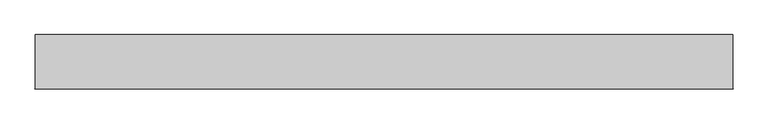
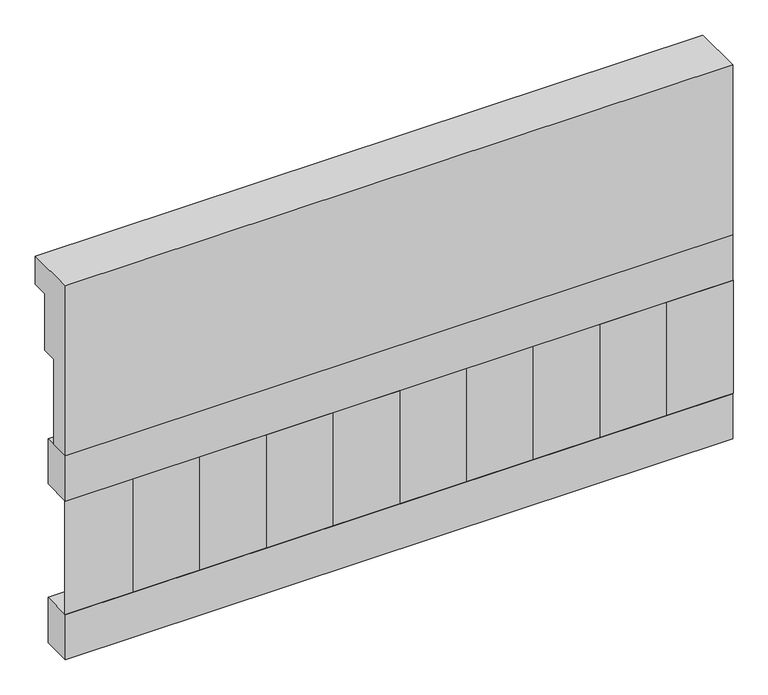
"""IFC4 building model written with IfcOpenShell, lengths in millimetres: railing geometry."""

from ifc_helpers import new_model, si_unit, frame, origin, place, context, project, spatial, polyline, outline, extrude, source, transform, mapped, element, save


def railing_0187d2da(model_context):
    return source(origin(), model_context, "Body", "SweptSolid", [
        extrude(outline(polyline([(903.1079487, 18500.0), (1033.1079487, 18500.0), (1033.1079487, 18425.0), (993.1079487, 18425.0), (993.1079487, 18275.0), (953.1079487, 18275.0), (953.1079487, 18050.0), (903.1079487, 18050.0), (903.1079487, 18500.0)])), frame((-29609.9887159, 0.0, 0.0), z_axis=(1.0, 0.0, 0.0), x_axis=(0.0, 1.0, 0.0)), (0.0, 0.0, 1.0), 1670.0),
        extrude(outline(polyline([(-27939.9887159, 978.1079487), (-27939.9887159, 903.1079487), (-29609.9887159, 903.1079487), (-29609.9887159, 978.1079487), (-27939.9887159, 978.1079487)])), frame((0.0, 0.0, 17930.0), z_axis=(0.0, 0.0, 1.0), x_axis=(1.0, 0.0, 0.0)), (0.0, 0.0, 1.0), 120.0),
        extrude(outline(polyline([(-27939.9887159, 978.1079487), (-27939.9887159, 903.1079487), (-29609.9887159, 903.1079487), (-29609.9887159, 978.1079487), (-27939.9887159, 978.1079487)])), frame((0.0, 0.0, 17510.0), z_axis=(0.0, 0.0, 1.0), x_axis=(1.0, 0.0, 0.0)), (0.0, 0.0, 1.0), 120.0),
        extrude(outline(polyline([(-29526.4887159, 987.9607624), (-29441.6359022, 903.1079487), (-29611.3415296, 903.1079487), (-29526.4887159, 987.9607624)])), frame((0.0, 0.0, 17630.0), z_axis=(0.0, 0.0, 1.0), x_axis=(1.0, 0.0, 0.0)), (0.0, 0.0, 1.0), 300.0),
        extrude(outline(polyline([(-29359.4887159, 987.9607624), (-29274.6359022, 903.1079487), (-29444.3415296, 903.1079487), (-29359.4887159, 987.9607624)])), frame((0.0, 0.0, 17630.0), z_axis=(0.0, 0.0, 1.0), x_axis=(1.0, 0.0, 0.0)), (0.0, 0.0, 1.0), 300.0),
        extrude(outline(polyline([(-29192.4887159, 987.9607624), (-29107.6359022, 903.1079487), (-29277.3415296, 903.1079487), (-29192.4887159, 987.9607624)])), frame((0.0, 0.0, 17630.0), z_axis=(0.0, 0.0, 1.0), x_axis=(1.0, 0.0, 0.0)), (0.0, 0.0, 1.0), 300.0),
        extrude(outline(polyline([(-29025.4887159, 987.9607624), (-28940.6359022, 903.1079487), (-29110.3415296, 903.1079487), (-29025.4887159, 987.9607624)])), frame((0.0, 0.0, 17630.0), z_axis=(0.0, 0.0, 1.0), x_axis=(1.0, 0.0, 0.0)), (0.0, 0.0, 1.0), 300.0),
        extrude(outline(polyline([(-28858.4887159, 987.9607624), (-28773.6359022, 903.1079487), (-28943.3415296, 903.1079487), (-28858.4887159, 987.9607624)])), frame((0.0, 0.0, 17630.0), z_axis=(0.0, 0.0, 1.0), x_axis=(1.0, 0.0, 0.0)), (0.0, 0.0, 1.0), 300.0),
        extrude(outline(polyline([(-28691.4887159, 987.9607624), (-28606.6359022, 903.1079487), (-28776.3415296, 903.1079487), (-28691.4887159, 987.9607624)])), frame((0.0, 0.0, 17630.0), z_axis=(0.0, 0.0, 1.0), x_axis=(1.0, 0.0, 0.0)), (0.0, 0.0, 1.0), 300.0),
        extrude(outline(polyline([(-28524.4887159, 987.9607624), (-28439.6359022, 903.1079487), (-28609.3415296, 903.1079487), (-28524.4887159, 987.9607624)])), frame((0.0, 0.0, 17630.0), z_axis=(0.0, 0.0, 1.0), x_axis=(1.0, 0.0, 0.0)), (0.0, 0.0, 1.0), 300.0),
        extrude(outline(polyline([(-28357.4887159, 987.9607624), (-28272.6359022, 903.1079487), (-28442.3415296, 903.1079487), (-28357.4887159, 987.9607624)])), frame((0.0, 0.0, 17630.0), z_axis=(0.0, 0.0, 1.0), x_axis=(1.0, 0.0, 0.0)), (0.0, 0.0, 1.0), 300.0),
        extrude(outline(polyline([(-28190.4887159, 987.9607624), (-28105.6359022, 903.1079487), (-28275.3415296, 903.1079487), (-28190.4887159, 987.9607624)])), frame((0.0, 0.0, 17630.0), z_axis=(0.0, 0.0, 1.0), x_axis=(1.0, 0.0, 0.0)), (0.0, 0.0, 1.0), 300.0),
        extrude(outline(polyline([(-28023.4887159, 987.9607624), (-27938.6359022, 903.1079487), (-28108.3415296, 903.1079487), (-28023.4887159, 987.9607624)])), frame((0.0, 0.0, 17630.0), z_axis=(0.0, 0.0, 1.0), x_axis=(1.0, 0.0, 0.0)), (0.0, 0.0, 1.0), 300.0),
    ])


if __name__ == "__main__":
    model = new_model("IFC4")
    model_context = context("Model", 3, world=origin())
    ifc_project = project(units=[si_unit("LENGTHUNIT", "METRE", prefix="MILLI")], contexts=[model_context])
    site = spatial("IfcSite", under=ifc_project)
    building = spatial("IfcBuilding", under=site)
    placement = place(None, origin())
    railing_shape = railing_0187d2da(model_context)
    element("IfcRailing", 1, at=placement, inside=building, context=model_context, shape_type="MappedRepresentation", body=[
        mapped(railing_shape, transform((0.0, 0.0, 0.0), x_axis=(1.0, 0.0, 0.0), y_axis=(0.0, 1.0, 0.0), z_axis=(0.0, 0.0, 1.0))),
    ])
    save(model, "model.ifc")
